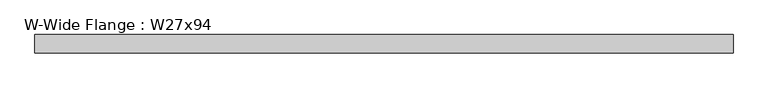
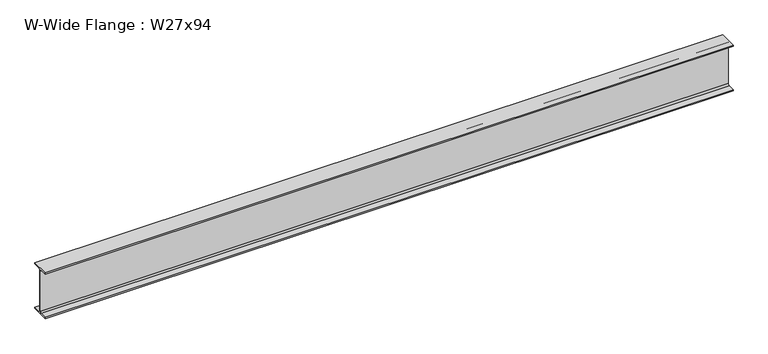
"""IFC4 building model written with IfcOpenShell, lengths in millimetres: beam geometry, W-Wide Flange : W27x94."""

from ifc_helpers import new_model, si_unit, point, frame, frame_2d, origin, place, context, project, spatial, polyline, circle_curve, trimmed, segment, composite_curve, outline, extrude, source, transform, mapped, element, save


def w_wide_flange_w27x94_5dec4dcc(model_context):
    return source(origin(), model_context, "Body", "SweptSolid", [
        extrude(outline(composite_curve([segment(polyline([(127.0, -322.707), (127.0, -341.63), (-127.0, -341.63), (-127.0, -322.707), (-28.575, -322.707)]), True, "CONTINUOUS"), segment(trimmed(circle_curve(frame_2d((-28.575, -300.355)), 22.352), [point((-28.575, -322.707))], [point((-6.223, -300.355))], True, "CARTESIAN"), True, "CONTINUOUS"), segment(polyline([(-6.223, -300.355), (-6.223, 300.355)]), True, "CONTINUOUS"), segment(trimmed(circle_curve(frame_2d((-28.575, 300.355)), 22.352), [point((-6.223, 300.355))], [point((-28.575, 322.707))], True, "CARTESIAN"), True, "CONTINUOUS"), segment(polyline([(-28.575, 322.707), (-127.0, 322.707), (-127.0, 341.63), (127.0, 341.63), (127.0, 322.707), (28.575, 322.707)]), True, "CONTINUOUS"), segment(trimmed(circle_curve(frame_2d((28.575, 300.355)), 22.352), [point((28.575, 322.707))], [point((6.223, 300.355))], True, "CARTESIAN"), True, "CONTINUOUS"), segment(polyline([(6.223, 300.355), (6.223, -300.355)]), True, "CONTINUOUS"), segment(trimmed(circle_curve(frame_2d((28.575, -300.355)), 22.352), [point((6.223, -300.355))], [point((28.575, -322.707))], True, "CARTESIAN"), True, "CONTINUOUS"), segment(polyline([(28.575, -322.707), (127.0, -322.707)]), True, "CONTINUOUS")], self_intersect=False)), frame((-4786.3479653, 0.0, 0.0), z_axis=(1.0, 0.0, 0.0), x_axis=(0.0, 1.0, 0.0)), (0.0, 0.0, 1.0), 9717.278),
    ])


if __name__ == "__main__":
    model = new_model("IFC4")
    model_context = context("Model", 3, world=origin())
    ifc_project = project(units=[si_unit("LENGTHUNIT", "METRE", prefix="MILLI")], contexts=[model_context])
    site = spatial("IfcSite", under=ifc_project)
    building = spatial("IfcBuilding", under=site)
    placement = place(None, origin())
    w_wide_flange_w27x94_shape = w_wide_flange_w27x94_5dec4dcc(model_context)
    element("IfcBeam", 1, ObjectType="W-Wide Flange : W27x94", at=placement, inside=building, context=model_context, shape_type="MappedRepresentation", body=[
        mapped(w_wide_flange_w27x94_shape, transform((0.0, 0.0, 0.0), x_axis=(1.0, 0.0, 0.0), y_axis=(0.0, 1.0, 0.0), z_axis=(0.0, 0.0, 1.0))),
    ])
    save(model, "model.ifc")
